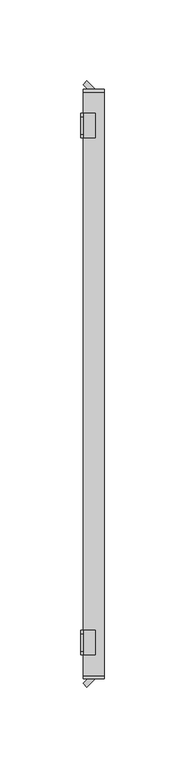
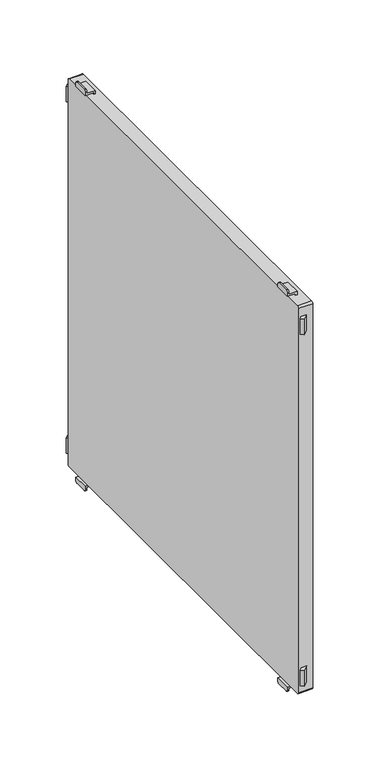
"""IFC4 building model written with IfcOpenShell, lengths in millimetres: furniture geometry."""

from ifc_helpers import new_model, si_unit, point, frame, frame_2d, origin, place, context, project, spatial, polyline, circle_curve, trimmed, segment, composite_curve, outline, extrude, source, transform, mapped, element, save
from ifc_brep_helpers import plane_surface, cylinder_surface, advanced_brep


def furniture_40114988(model_context):
    return source(origin(), model_context, "Body", "SolidModel", [
        advanced_brep(
        [(-197.0, 152.5, 1315.5), (-197.0, 154.5, 1313.5), (-197.0, 165.5, 1313.5), (-197.0, 167.5, 1315.5), (-197.0, 167.5, 1317.0), (-197.0, 152.5, 1317.0), (-198.5, 152.5, 1318.5), (-198.5, 167.5, 1318.5), (-198.5, 167.5, 1315.5), (-198.5, 165.5, 1313.5), (-198.5, 154.5, 1313.5), (-198.5, 152.5, 1315.5), (-189.5011497, 152.5, 1317.0), (-189.5011497, 152.5, 1320.0), (-191.0011497, 152.5, 1320.0), (-191.0011497, 152.5, 1318.5), (-191.0011497, 167.5, 1318.5), (-191.0011497, 167.5, 1320.0), (-189.5011497, 167.5, 1320.0), (-189.5011497, 167.5, 1317.0)],
        [
            (0, 1, circle_curve(frame((-197.0, 154.5, 1315.5), z_axis=(1.0, 0.0, 0.0), x_axis=(0.0, 1.0, 0.0)), 2.0)),
            (1, 2),
            (2, 3, circle_curve(frame((-197.0, 165.5, 1315.5), z_axis=(1.0, 0.0, 0.0), x_axis=(0.0, 1.0, 0.0)), 2.0)),
            (3, 4),
            (4, 5),
            (5, 0),
            (6, 7),
            (7, 8),
            (8, 9, circle_curve(frame((-198.5, 165.5, 1315.5), z_axis=(-1.0, 0.0, 0.0), x_axis=(0.0, 1.0, 0.0)), 2.0)),
            (9, 10),
            (10, 11, circle_curve(frame((-198.5, 154.5, 1315.5), z_axis=(-1.0, 0.0, 0.0), x_axis=(0.0, 1.0, 0.0)), 2.0)),
            (11, 6),
            (11, 0),
            (5, 12),
            (12, 13),
            (13, 14),
            (14, 15),
            (15, 6),
            (10, 1),
            (9, 2),
            (8, 3),
            (7, 16),
            (16, 17),
            (17, 18),
            (18, 19),
            (19, 4),
            (15, 16),
            (12, 19),
            (18, 13),
            (17, 14),
        ],
        [
            plane_surface(frame((-197.0, 152.5, 1317.0), z_axis=(1.0, 0.0, 0.0), x_axis=(0.0, 0.0, -1.0))),
            plane_surface(frame((-198.5, 152.5, 1317.0), z_axis=(-1.0, 0.0, 0.0), x_axis=(0.0, 0.0, 1.0))),
            plane_surface(frame((-197.0, 152.5, 1318.5), z_axis=(0.0, -1.0, 0.0), x_axis=(-1.0, 0.0, 0.0))),
            cylinder_surface(frame((-198.5, 154.5, 1315.5), z_axis=(1.0, 0.0, 0.0), x_axis=(0.0, 1.0, 0.0)), 2.0),
            plane_surface(frame((-197.0, 154.5, 1313.5), z_axis=(0.0, 0.0, -1.0), x_axis=(-1.0, 0.0, 0.0))),
            cylinder_surface(frame((-198.5, 165.5, 1315.5), z_axis=(1.0, 0.0, 0.0), x_axis=(0.0, 1.0, 0.0)), 2.0),
            plane_surface(frame((-197.0, 167.5, 1315.5), z_axis=(0.0, 1.0, 0.0), x_axis=(-1.0, 0.0, 0.0))),
            plane_surface(frame((-197.0, 167.5, 1318.5), z_axis=(0.0, 0.0, 1.0), x_axis=(-1.0, 0.0, 0.0))),
            plane_surface(frame((-189.5011497, 152.5, 1317.0), z_axis=(1.0, 0.0, 0.0), x_axis=(0.0, 1.0, 0.0))),
            plane_surface(frame((-189.5011497, 152.5, 1320.0), z_axis=(0.0, 0.0, 1.0), x_axis=(0.0, 1.0, 0.0))),
            plane_surface(frame((-191.0011497, 152.5, 1320.0), z_axis=(-1.0, 0.0, 0.0), x_axis=(0.0, 1.0, 0.0))),
            plane_surface(frame((-197.0, 152.5, 1317.0), z_axis=(0.0, 0.0, -1.0), x_axis=(0.0, 1.0, 0.0))),
        ],
        [
            (0, [[1, 2, 3, 4, 5, 6]]),
            (1, [[7, 8, 9, 10, 11, 12]]),
            (2, [[-12, 13, -6, 14, 15, 16, 17, 18]]),
            (3, [[-1, -13, -11, 19]]),
            (4, [[-2, -19, -10, 20]]),
            (5, [[-3, -20, -9, 21]]),
            (6, [[-8, 22, 23, 24, 25, 26, -4, -21]]),
            (7, [[-22, -7, -18, 27]]),
            (8, [[-15, 28, -25, 29]]),
            (9, [[-16, -29, -24, 30]]),
            (10, [[-17, -30, -23, -27]]),
            (11, [[-14, -5, -26, -28]]),
        ],
    ),
        advanced_brep(
        [(-197.0, -167.5, 1315.5), (-197.0, -165.5, 1313.5), (-197.0, -154.5, 1313.5), (-197.0, -152.5, 1315.5), (-197.0, -152.5, 1317.0), (-197.0, -167.5, 1317.0), (-198.5, -152.5, 1318.5), (-198.5, -152.5, 1315.5), (-198.5, -154.5, 1313.5), (-198.5, -165.5, 1313.5), (-198.5, -167.5, 1315.5), (-198.5, -167.5, 1318.5), (-191.0011497, -167.5, 1318.5), (-191.0011497, -152.5, 1318.5), (-189.5011497, -167.5, 1317.0), (-189.5011497, -167.5, 1320.0), (-191.0011497, -167.5, 1320.0), (-191.0011497, -152.5, 1320.0), (-189.5011497, -152.5, 1320.0), (-189.5011497, -152.5, 1317.0)],
        [
            (0, 1, circle_curve(frame((-197.0, -165.5, 1315.5), z_axis=(1.0, 0.0, 0.0), x_axis=(0.0, 1.0, 0.0)), 2.0)),
            (1, 2),
            (2, 3, circle_curve(frame((-197.0, -154.5, 1315.5), z_axis=(1.0, 0.0, 0.0), x_axis=(0.0, 1.0, 0.0)), 2.0)),
            (3, 4),
            (4, 5),
            (5, 0),
            (6, 7),
            (7, 8, circle_curve(frame((-198.5, -154.5, 1315.5), z_axis=(-1.0, 0.0, 0.0), x_axis=(0.0, 1.0, 0.0)), 2.0)),
            (8, 9),
            (9, 10, circle_curve(frame((-198.5, -165.5, 1315.5), z_axis=(-1.0, 0.0, 0.0), x_axis=(0.0, 1.0, 0.0)), 2.0)),
            (10, 11),
            (11, 6),
            (11, 12),
            (12, 13),
            (13, 6),
            (10, 0),
            (5, 14),
            (14, 15),
            (15, 16),
            (16, 12),
            (9, 1),
            (8, 2),
            (7, 3),
            (13, 17),
            (17, 18),
            (18, 19),
            (19, 4),
            (18, 15),
            (14, 19),
            (17, 16),
        ],
        [
            plane_surface(frame((-197.0, 152.5, 1317.0), z_axis=(1.0, 0.0, 0.0), x_axis=(0.0, 0.0, -1.0))),
            plane_surface(frame((-198.5, 152.5, 1317.0), z_axis=(-1.0, 0.0, 0.0), x_axis=(0.0, 0.0, 1.0))),
            plane_surface(frame((-197.0, -152.5, 1318.5), z_axis=(0.0, 0.0, 1.0), x_axis=(-1.0, 0.0, 0.0))),
            plane_surface(frame((-197.0, -167.5, 1318.5), z_axis=(0.0, -1.0, 0.0), x_axis=(-1.0, 0.0, 0.0))),
            cylinder_surface(frame((-200.0, -165.5, 1315.5), z_axis=(1.0, 0.0, 0.0), x_axis=(0.0, 1.0, 0.0)), 2.0),
            plane_surface(frame((-197.0, -165.5, 1313.5), z_axis=(0.0, 0.0, -1.0), x_axis=(-1.0, 0.0, 0.0))),
            cylinder_surface(frame((-200.0, -154.5, 1315.5), z_axis=(1.0, 0.0, 0.0), x_axis=(0.0, 1.0, 0.0)), 2.0),
            plane_surface(frame((-197.0, -152.5, 1315.5), z_axis=(0.0, 1.0, 0.0), x_axis=(-1.0, 0.0, 0.0))),
            plane_surface(frame((-189.5011497, -152.5, 1320.0), z_axis=(1.0, 0.0, 0.0), x_axis=(0.0, -1.0, 0.0))),
            plane_surface(frame((-191.0011497, -152.5, 1320.0), z_axis=(0.0, 0.0, 1.0), x_axis=(0.0, -1.0, 0.0))),
            plane_surface(frame((-191.0011497, -152.5, 1318.5), z_axis=(-1.0, 0.0, 0.0), x_axis=(0.0, -1.0, 0.0))),
            plane_surface(frame((-189.5011497, -152.5, 1317.0), z_axis=(0.0, 0.0, -1.0), x_axis=(0.0, -1.0, 0.0))),
        ],
        [
            (0, [[1, 2, 3, 4, 5, 6]]),
            (1, [[7, 8, 9, 10, 11, 12]]),
            (2, [[-12, 13, 14, 15]]),
            (3, [[-11, 16, -6, 17, 18, 19, 20, -13]]),
            (4, [[-1, -16, -10, 21]]),
            (5, [[-2, -21, -9, 22]]),
            (6, [[-3, -22, -8, 23]]),
            (7, [[-7, -15, 24, 25, 26, 27, -4, -23]]),
            (8, [[-26, 28, -18, 29]]),
            (9, [[-25, 30, -19, -28]]),
            (10, [[-24, -14, -20, -30]]),
            (11, [[-27, -29, -17, -5]]),
        ],
    ),
        advanced_brep(
        [(-197.0, 167.5, 1699.5), (-197.0, 165.5, 1701.5), (-197.0, 154.5, 1701.5), (-197.0, 152.5, 1699.5), (-197.0, 152.5, 1698.0), (-197.0, 167.5, 1698.0), (-198.5, 152.5, 1696.5), (-198.5, 152.5, 1699.5), (-198.5, 154.5, 1701.5), (-198.5, 165.5, 1701.5), (-198.5, 167.5, 1699.5), (-198.5, 167.5, 1696.5), (-189.5011497, 152.5, 1698.0), (-191.0011497, 152.5, 1696.5), (-191.0011497, 152.5, 1695.0), (-189.5011497, 152.5, 1695.0), (-189.5011497, 167.5, 1698.0), (-189.5011497, 167.5, 1695.0), (-191.0011497, 167.5, 1695.0), (-191.0011497, 167.5, 1696.5)],
        [
            (0, 1, circle_curve(frame((-197.0, 165.5, 1699.5), z_axis=(1.0, 0.0, 0.0), x_axis=(0.0, 1.0, 0.0)), 2.0)),
            (1, 2),
            (2, 3, circle_curve(frame((-197.0, 154.5, 1699.5), z_axis=(1.0, 0.0, 0.0), x_axis=(0.0, 1.0, 0.0)), 2.0)),
            (3, 4),
            (4, 5),
            (5, 0),
            (6, 7),
            (7, 8, circle_curve(frame((-198.5, 154.5, 1699.5), z_axis=(-1.0, 0.0, 0.0), x_axis=(0.0, 1.0, 0.0)), 2.0)),
            (8, 9),
            (9, 10, circle_curve(frame((-198.5, 165.5, 1699.5), z_axis=(-1.0, 0.0, 0.0), x_axis=(0.0, 1.0, 0.0)), 2.0)),
            (10, 11),
            (11, 6),
            (12, 4),
            (3, 7),
            (6, 13),
            (13, 14),
            (14, 15),
            (15, 12),
            (16, 17),
            (17, 18),
            (18, 19),
            (19, 11),
            (10, 0),
            (5, 16),
            (19, 13),
            (9, 1),
            (8, 2),
            (12, 16),
            (18, 14),
            (17, 15),
        ],
        [
            plane_surface(frame((-197.0, 152.5, 1317.0), z_axis=(1.0, 0.0, 0.0), x_axis=(0.0, 0.0, -1.0))),
            plane_surface(frame((-198.5, 152.5, 1317.0), z_axis=(-1.0, 0.0, 0.0), x_axis=(0.0, 0.0, 1.0))),
            plane_surface(frame((-197.0, 152.5, 1318.5), z_axis=(0.0, -1.0, 0.0), x_axis=(-1.0, 0.0, 0.0))),
            plane_surface(frame((-197.0, 167.5, 1315.5), z_axis=(0.0, 1.0, 0.0), x_axis=(-1.0, 0.0, 0.0))),
            plane_surface(frame((-197.0, 152.5, 1696.5), z_axis=(0.0, 0.0, -1.0), x_axis=(-1.0, 0.0, 0.0))),
            cylinder_surface(frame((-200.0, 165.5, 1699.5), z_axis=(1.0, 0.0, 0.0), x_axis=(0.0, 1.0, 0.0)), 2.0),
            plane_surface(frame((-197.0, 165.5, 1701.5), z_axis=(0.0, 0.0, 1.0), x_axis=(-1.0, 0.0, 0.0))),
            cylinder_surface(frame((-200.0, 154.5, 1699.5), z_axis=(1.0, 0.0, 0.0), x_axis=(0.0, 1.0, 0.0)), 2.0),
            plane_surface(frame((-189.5011497, 152.5, 1698.0), z_axis=(0.0, 0.0, 1.0), x_axis=(0.0, 1.0, 0.0))),
            plane_surface(frame((-191.0011497, 152.5, 1696.5), z_axis=(-1.0, 0.0, 0.0), x_axis=(0.0, 1.0, 0.0))),
            plane_surface(frame((-191.0011497, 152.5, 1695.0), z_axis=(0.0, 0.0, -1.0), x_axis=(0.0, 1.0, 0.0))),
            plane_surface(frame((-189.5011497, 152.5, 1695.0), z_axis=(1.0, 0.0, 0.0), x_axis=(0.0, 1.0, 0.0))),
        ],
        [
            (0, [[1, 2, 3, 4, 5, 6]]),
            (1, [[7, 8, 9, 10, 11, 12]]),
            (2, [[13, -4, 14, -7, 15, 16, 17, 18]]),
            (3, [[19, 20, 21, 22, -11, 23, -6, 24]]),
            (4, [[-15, -12, -22, 25]]),
            (5, [[-1, -23, -10, 26]]),
            (6, [[-2, -26, -9, 27]]),
            (7, [[-3, -27, -8, -14]]),
            (8, [[-13, 28, -24, -5]]),
            (9, [[-16, -25, -21, 29]]),
            (10, [[-17, -29, -20, 30]]),
            (11, [[-18, -30, -19, -28]]),
        ],
    ),
        advanced_brep(
        [(-197.0, -152.5, 1699.5), (-197.0, -154.5, 1701.5), (-197.0, -165.5, 1701.5), (-197.0, -167.5, 1699.5), (-197.0, -167.5, 1698.0), (-197.0, -152.5, 1698.0), (-198.5, -152.5, 1696.5), (-198.5, -167.5, 1696.5), (-198.5, -167.5, 1699.5), (-198.5, -165.5, 1701.5), (-198.5, -154.5, 1701.5), (-198.5, -152.5, 1699.5), (-191.0011497, -167.5, 1696.5), (-191.0011497, -167.5, 1695.0), (-189.5011497, -167.5, 1695.0), (-189.5011497, -167.5, 1698.0), (-189.5011497, -152.5, 1698.0), (-189.5011497, -152.5, 1695.0), (-191.0011497, -152.5, 1695.0), (-191.0011497, -152.5, 1696.5)],
        [
            (0, 1, circle_curve(frame((-197.0, -154.5, 1699.5), z_axis=(1.0, 0.0, 0.0), x_axis=(0.0, 1.0, 0.0)), 2.0)),
            (1, 2),
            (2, 3, circle_curve(frame((-197.0, -165.5, 1699.5), z_axis=(1.0, 0.0, 0.0), x_axis=(0.0, 1.0, 0.0)), 2.0)),
            (3, 4),
            (4, 5),
            (5, 0),
            (6, 7),
            (7, 8),
            (8, 9, circle_curve(frame((-198.5, -165.5, 1699.5), z_axis=(-1.0, 0.0, 0.0), x_axis=(0.0, 1.0, 0.0)), 2.0)),
            (9, 10),
            (10, 11, circle_curve(frame((-198.5, -154.5, 1699.5), z_axis=(-1.0, 0.0, 0.0), x_axis=(0.0, 1.0, 0.0)), 2.0)),
            (11, 6),
            (7, 12),
            (12, 13),
            (13, 14),
            (14, 15),
            (15, 4),
            (3, 8),
            (11, 0),
            (5, 16),
            (16, 17),
            (17, 18),
            (18, 19),
            (19, 6),
            (10, 1),
            (9, 2),
            (19, 12),
            (15, 16),
            (18, 13),
            (17, 14),
        ],
        [
            plane_surface(frame((-197.0, 152.5, 1317.0), z_axis=(1.0, 0.0, 0.0), x_axis=(0.0, 0.0, -1.0))),
            plane_surface(frame((-198.5, 152.5, 1317.0), z_axis=(-1.0, 0.0, 0.0), x_axis=(0.0, 0.0, 1.0))),
            plane_surface(frame((-197.0, -167.5, 1318.5), z_axis=(0.0, -1.0, 0.0), x_axis=(-1.0, 0.0, 0.0))),
            plane_surface(frame((-197.0, -152.5, 1315.5), z_axis=(0.0, 1.0, 0.0), x_axis=(-1.0, 0.0, 0.0))),
            cylinder_surface(frame((-200.0, -154.5, 1699.5), z_axis=(1.0, 0.0, 0.0), x_axis=(0.0, 1.0, 0.0)), 2.0),
            plane_surface(frame((-197.0, -154.5, 1701.5), z_axis=(0.0, 0.0, 1.0), x_axis=(-1.0, 0.0, 0.0))),
            cylinder_surface(frame((-200.0, -165.5, 1699.5), z_axis=(1.0, 0.0, 0.0), x_axis=(0.0, 1.0, 0.0)), 2.0),
            plane_surface(frame((-197.0, -167.5, 1696.5), z_axis=(0.0, 0.0, -1.0), x_axis=(-1.0, 0.0, 0.0))),
            plane_surface(frame((-197.0, -152.5, 1698.0), z_axis=(0.0, 0.0, 1.0), x_axis=(0.0, -1.0, 0.0))),
            plane_surface(frame((-191.0011497, -152.5, 1695.0), z_axis=(-1.0, 0.0, 0.0), x_axis=(0.0, -1.0, 0.0))),
            plane_surface(frame((-189.5011497, -152.5, 1695.0), z_axis=(0.0, 0.0, -1.0), x_axis=(0.0, -1.0, 0.0))),
            plane_surface(frame((-189.5011497, -152.5, 1698.0), z_axis=(1.0, 0.0, 0.0), x_axis=(0.0, -1.0, 0.0))),
        ],
        [
            (0, [[1, 2, 3, 4, 5, 6]]),
            (1, [[7, 8, 9, 10, 11, 12]]),
            (2, [[-8, 13, 14, 15, 16, 17, -4, 18]]),
            (3, [[-12, 19, -6, 20, 21, 22, 23, 24]]),
            (4, [[-1, -19, -11, 25]]),
            (5, [[-2, -25, -10, 26]]),
            (6, [[-3, -26, -9, -18]]),
            (7, [[-7, -24, 27, -13]]),
            (8, [[-20, -5, -17, 28]]),
            (9, [[-23, 29, -14, -27]]),
            (10, [[-22, 30, -15, -29]]),
            (11, [[-21, -28, -16, -30]]),
        ],
    ),
        extrude(outline(polyline([(-197.0, -185.3223305), (-194.1776695, -182.5), (-189.5011497, -182.5), (-194.6617401, -187.6605904), (-197.0, -185.3223305)])), frame((0.0, 0.0, 1330.0), z_axis=(0.0, 0.0, 1.0), x_axis=(1.0, 0.0, 0.0)), (0.0, 0.0, 1.0), 15.0),
        extrude(outline(polyline([(-197.0, 185.3223305), (-194.6617401, 187.6605904), (-189.5011497, 182.5), (-194.1776695, 182.5), (-197.0, 185.3223305)])), frame((0.0, 0.0, 1330.0), z_axis=(0.0, 0.0, 1.0), x_axis=(1.0, 0.0, 0.0)), (0.0, 0.0, 1.0), 15.0),
        extrude(outline(composite_curve([segment(polyline([(182.5, 1693.2), (182.5, 1321.8)]), True, "CONTINUOUS"), segment(trimmed(circle_curve(frame_2d((180.7, 1321.8)), 1.8), [point((182.5, 1321.8))], [point((180.7, 1320.0))], False, "CARTESIAN"), True, "CONTINUOUS"), segment(polyline([(180.7, 1320.0), (-180.7, 1320.0)]), True, "CONTINUOUS"), segment(trimmed(circle_curve(frame_2d((-180.7, 1321.8)), 1.8), [point((-180.7, 1320.0))], [point((-182.5, 1321.8))], False, "CARTESIAN"), True, "CONTINUOUS"), segment(polyline([(-182.5, 1321.8), (-182.5, 1693.2)]), True, "CONTINUOUS"), segment(trimmed(circle_curve(frame_2d((-180.7, 1693.2)), 1.8), [point((-182.5, 1693.2))], [point((-180.7, 1695.0))], False, "CARTESIAN"), True, "CONTINUOUS"), segment(polyline([(-180.7, 1695.0), (180.7, 1695.0)]), True, "CONTINUOUS"), segment(trimmed(circle_curve(frame_2d((180.7, 1693.2)), 1.8), [point((180.7, 1695.0))], [point((182.5, 1693.2))], False, "CARTESIAN"), True, "CONTINUOUS")], self_intersect=False)), frame((-197.0, 0.0, 0.0), z_axis=(1.0, 0.0, 0.0), x_axis=(0.0, 1.0, 0.0)), (0.0, 0.0, 1.0), 13.000205),
        extrude(outline(polyline([(-197.0, -185.3223305), (-194.1776695, -182.5), (-189.5011497, -182.5), (-194.6617401, -187.6605904), (-197.0, -185.3223305)])), frame((0.0, 0.0, 1670.0), z_axis=(0.0, 0.0, 1.0), x_axis=(1.0, 0.0, 0.0)), (0.0, 0.0, 1.0), 15.0),
        extrude(outline(polyline([(-197.0, 185.3223305), (-194.6617401, 187.6605904), (-189.5011497, 182.5), (-194.1776695, 182.5), (-197.0, 185.3223305)])), frame((0.0, 0.0, 1670.0), z_axis=(0.0, 0.0, 1.0), x_axis=(1.0, 0.0, 0.0)), (0.0, 0.0, 1.0), 15.0),
    ])


if __name__ == "__main__":
    model = new_model("IFC4")
    model_context = context("Model", 3, world=origin())
    ifc_project = project(units=[si_unit("LENGTHUNIT", "METRE", prefix="MILLI")], contexts=[model_context])
    site = spatial("IfcSite", under=ifc_project)
    building = spatial("IfcBuilding", under=site)
    placement = place(None, origin())
    furniture_shape = furniture_40114988(model_context)
    element("IfcFurniture", 1, at=placement, inside=building, context=model_context, shape_type="MappedRepresentation", body=[
        mapped(furniture_shape, transform((0.0, 0.0, 0.0), x_axis=(1.0, 0.0, 0.0), y_axis=(0.0, 1.0, 0.0), z_axis=(0.0, 0.0, 1.0))),
    ])
    save(model, "model.ifc")
